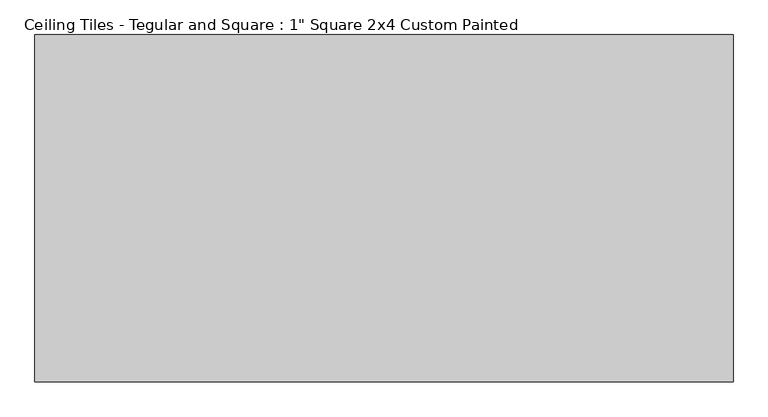
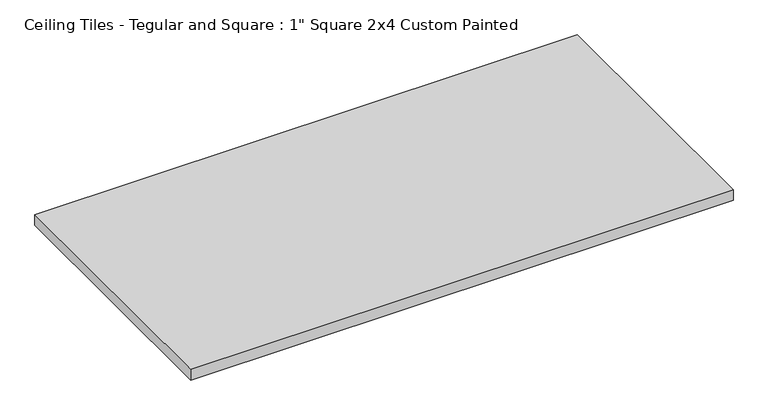
"""IFC4 building model written with IfcOpenShell, lengths in millimetres: proxy geometry."""

from ifc_helpers import new_model, si_unit, origin, origin_with_axes, place, context, project, spatial, polyline, outline, extrude, source, transform, mapped, element, save


def proxy_982c58de(model_context):
    return source(origin(), model_context, "Body", "SweptSolid", [
        extrude(outline(polyline([(-606.425, 301.625), (606.425, 301.625), (606.425, -301.625), (-606.425, -301.625), (-606.425, 301.625)])), origin_with_axes(), (0.0, 0.0, 1.0), 25.4),
    ])


if __name__ == "__main__":
    model = new_model("IFC4")
    model_context = context("Model", 3, world=origin())
    ifc_project = project(units=[si_unit("LENGTHUNIT", "METRE", prefix="MILLI")], contexts=[model_context])
    site = spatial("IfcSite", under=ifc_project)
    building = spatial("IfcBuilding", under=site)
    placement = place(None, origin())
    proxy_shape = proxy_982c58de(model_context)
    element("IfcBuildingElementProxy", 1, Name="Ceiling Tiles - Tegular and Square : 1\" Square 2x4 Custom Painted", ObjectType="Ceiling Tiles - Tegular and Square : 1\" Square 2x4 Custom Painted", at=placement, inside=building, context=model_context, shape_type="MappedRepresentation", body=[
        mapped(proxy_shape, transform((0.0, 0.0, 0.0), x_axis=(1.0, 0.0, 0.0), y_axis=(0.0, 1.0, 0.0), z_axis=(0.0, 0.0, 1.0))),
    ])
    save(model, "model.ifc")
